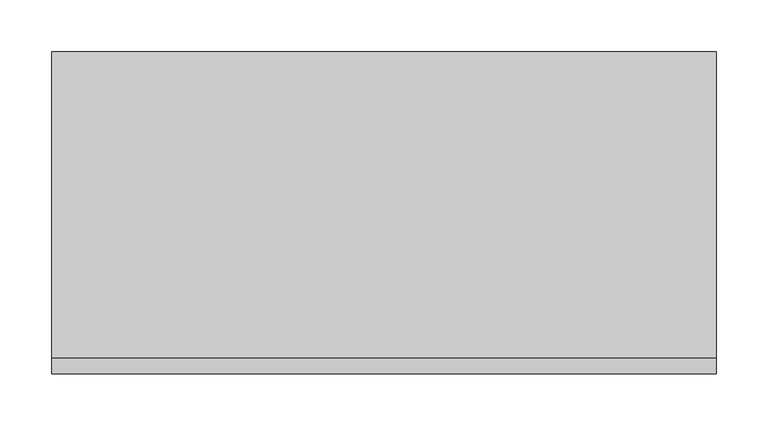
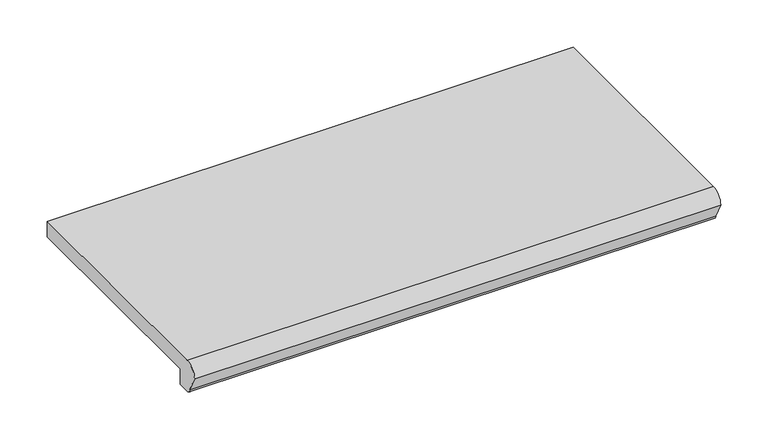
"""IFC4 building model written with IfcOpenShell, lengths in millimetres: proxy geometry."""

from ifc_helpers import new_model, si_unit, point, frame, frame_2d, origin, place, context, project, spatial, polyline, circle_curve, trimmed, segment, composite_curve, outline, extrude, source, transform, mapped, element, save


def generic_models_8078912a(model_context):
    return source(origin(), model_context, "Body", "SweptSolid", [
        extrude(outline(composite_curve([segment(polyline([(-295.0, 30.0), (0.0, 30.0), (0.0, 10.0), (-280.0, 10.0), (-280.0, -10.0), (-295.0, -10.0)]), True, "CONTINUOUS"), segment(trimmed(circle_curve(frame_2d((-295.0, -5.0)), 5.0), [point((-295.0, -10.0))], [point((-300.0, -5.0))], False, "CARTESIAN"), True, "CONTINUOUS"), segment(polyline([(-300.0, -5.0), (-310.0, 15.0)]), True, "CONTINUOUS"), segment(trimmed(circle_curve(frame_2d((-295.0, 15.0)), 15.0), [point((-310.0, 15.0))], [point((-295.0, 30.0))], False, "CARTESIAN"), True, "CONTINUOUS")], self_intersect=False)), frame((-320.0, 0.0, 0.0), z_axis=(1.0, 0.0, 0.0), x_axis=(0.0, 1.0, 0.0)), (0.0, 0.0, 1.0), 640.0),
    ])


if __name__ == "__main__":
    model = new_model("IFC4")
    model_context = context("Model", 3, world=origin())
    ifc_project = project(units=[si_unit("LENGTHUNIT", "METRE", prefix="MILLI")], contexts=[model_context])
    site = spatial("IfcSite", under=ifc_project)
    building = spatial("IfcBuilding", under=site)
    placement = place(None, origin())
    generic_models_shape = generic_models_8078912a(model_context)
    element("IfcBuildingElementProxy", 1, Name="Generic Models", at=placement, inside=building, context=model_context, shape_type="MappedRepresentation", body=[
        mapped(generic_models_shape, transform((0.0, 0.0, 0.0), x_axis=(1.0, 0.0, 0.0), y_axis=(0.0, 1.0, 0.0), z_axis=(0.0, 0.0, 1.0))),
    ])
    save(model, "model.ifc")
